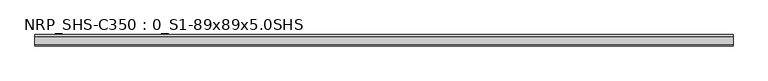
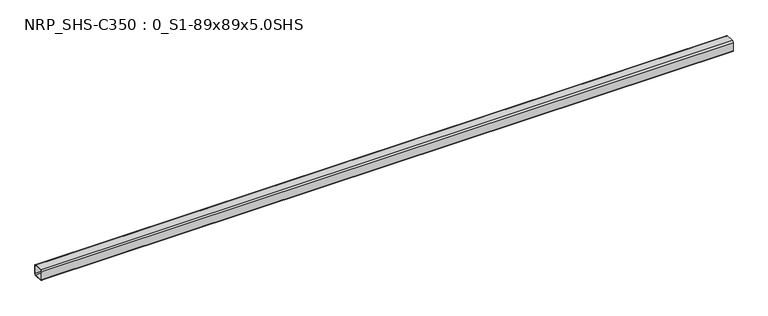
"""IFC4 building model written with IfcOpenShell, lengths in millimetres: beam geometry, NRP_SHS-C350 : 0_S1-89x89x5.0SHS."""

import ifcopenshell
import ifcopenshell.guid

model = None  # the IFC model being written
_history = None  # IfcOwnerHistory: only IFC2X3 demands one
_inside = {}  # id of a spatial element -> (the spatial element, [elements in it])
_under = {}  # id of a project, library or spatial element -> (it, [spatial elements below it])
_declared = {}  # id of a project -> (the project, [libraries it declares])
_typed = {}  # id of a type object -> (the type object, [elements of that type])
_made_of = {}  # id of a material, layer set ... -> (it, [elements and type objects made of it])


def new_model(schema):
    """Start an empty IFC model of exactly this schema.

    Asked for "IFC4X3", IfcOpenShell would pick the latest addendum, in which some entities
    have other attributes; the version numbers below select the first issue.
    IFC2X3 requires an IfcOwnerHistory on every rooted entity: one is made here for all.
    """
    global model, _history
    if schema == "IFC4X3":
        model = ifcopenshell.file(schema_version=(4, 3, 0, 0))
    else:
        model = ifcopenshell.file(schema=schema)
    _inside.clear()
    _under.clear()
    _declared.clear()
    _typed.clear()
    _made_of.clear()
    _history = None
    if model.schema == "IFC2X3":
        org = make("IfcOrganization", Name="unknown")
        user = make(
            "IfcPersonAndOrganization",
            ThePerson=make("IfcPerson", FamilyName="unknown"),
            TheOrganization=org,
        )
        app = make(
            "IfcApplication",
            ApplicationDeveloper=org,
            Version="unknown",
            ApplicationFullName="unknown",
            ApplicationIdentifier="unknown",
        )
        _history = make(
            "IfcOwnerHistory",
            OwningUser=user,
            OwningApplication=app,
            ChangeAction="ADDED",
            CreationDate=0,
        )
    return model


def make(cls, **values):
    """One entity of the class cls with the attributes given. An attribute that is None is left unset."""
    return model.create_entity(
        cls, **{name: value for name, value in values.items() if value is not None}
    )


def rooted(cls, **values):
    """An entity with a GlobalId (a new one), such as an element, a storey or a relation."""
    return make(cls, GlobalId=ifcopenshell.guid.new(), OwnerHistory=_history, **values)


def si_unit(unit_type, name, prefix=None):
    """IfcSIUnit, for example si_unit("LENGTHUNIT", "METRE", prefix="MILLI")."""
    return make("IfcSIUnit", UnitType=unit_type, Prefix=prefix, Name=name)


def assignment(units):
    """IfcUnitAssignment: the units of a project."""
    return None if units is None else make("IfcUnitAssignment", Units=units)


def point(xyz):
    """IfcCartesianPoint."""
    return None if xyz is None else make("IfcCartesianPoint", Coordinates=xyz)


def direction(xyz):
    """IfcDirection."""
    return None if xyz is None else make("IfcDirection", DirectionRatios=xyz)


def frame(location, z_axis=None, x_axis=None):
    """IfcAxis2Placement3D, a coordinate frame: its origin and axes. An axis left out is left unset."""
    return make(
        "IfcAxis2Placement3D",
        Location=point(location),
        Axis=direction(z_axis),
        RefDirection=direction(x_axis),
    )


def frame_2d(location, x_axis=None):
    """IfcAxis2Placement2D, a coordinate frame in the plane: its origin and x axis."""
    return make(
        "IfcAxis2Placement2D", Location=point(location), RefDirection=direction(x_axis)
    )


def origin():
    """The frame at (0, 0, 0) with its axes left unset."""
    return frame((0.0, 0.0, 0.0))


def place(relative_to, where):
    """IfcLocalPlacement: puts the frame where relative to a parent placement (None: the world)."""
    return make(
        "IfcLocalPlacement", PlacementRelTo=relative_to, RelativePlacement=where
    )


def context(
    kind, dimensions, precision=None, world=None, true_north=None, identifier=None
):
    """IfcGeometricRepresentationContext, for example the 3D "Model" context."""
    return make(
        "IfcGeometricRepresentationContext",
        ContextIdentifier=identifier,
        ContextType=kind,
        CoordinateSpaceDimension=dimensions,
        Precision=precision,
        WorldCoordinateSystem=world,
        TrueNorth=true_north,
    )


def project(units=None, contexts=None):
    """IfcProject with its units and contexts."""
    return rooted(
        "IfcProject",
        Name="project",
        RepresentationContexts=contexts,
        UnitsInContext=assignment(units),
    )


def spatial(cls, under=None, at=None, **own):
    """A site, building, storey or space (cls), placed at a placement, below another one or the project."""
    s = rooted(cls, ObjectPlacement=at, **own)
    if under is not None:
        _under.setdefault(under.id(), (under, []))[1].append(s)
    return s


def polyline(points):
    """IfcPolyline through the points."""
    return make("IfcPolyline", Points=[point(p) for p in points])


def circle_curve(where, radius):
    """IfcCircle in the frame where."""
    return make("IfcCircle", Position=where, Radius=radius)


def trimmed(basis, trim1, trim2, sense, master):
    """IfcTrimmedCurve: the piece of a basis curve between two trims."""
    return make(
        "IfcTrimmedCurve",
        BasisCurve=basis,
        Trim1=trim1,
        Trim2=trim2,
        SenseAgreement=sense,
        MasterRepresentation=master,
    )


def segment(curve, same_sense, transition):
    """IfcCompositeCurveSegment."""
    return make(
        "IfcCompositeCurveSegment",
        Transition=transition,
        SameSense=same_sense,
        ParentCurve=curve,
    )


def composite_curve(segments, self_intersect=None):
    """IfcCompositeCurve: segments joined end to end."""
    return make("IfcCompositeCurve", Segments=segments, SelfIntersect=self_intersect)


def outline(outer, holes=None, kind="AREA"):
    """IfcArbitraryClosedProfileDef: a profile drawn as a closed curve; with holes, ...WithVoids."""
    if holes is None:
        return make("IfcArbitraryClosedProfileDef", ProfileType=kind, OuterCurve=outer)
    return make(
        "IfcArbitraryProfileDefWithVoids",
        ProfileType=kind,
        OuterCurve=outer,
        InnerCurves=holes,
    )


def extrude(swept, where, along, depth):
    """IfcExtrudedAreaSolid: the profile swept, set in the frame where, extruded along a direction by depth."""
    return make(
        "IfcExtrudedAreaSolid",
        SweptArea=swept,
        Position=where,
        ExtrudedDirection=direction(along),
        Depth=depth,
    )


def shape(context_of_items, identifier, shape_type, items):
    """IfcShapeRepresentation: the items that make up one representation, for example the "Body"."""
    return make(
        "IfcShapeRepresentation",
        ContextOfItems=context_of_items,
        RepresentationIdentifier=identifier,
        RepresentationType=shape_type,
        Items=items,
    )


def source(mapping_origin, context_of_items, identifier, shape_type, items):
    """IfcRepresentationMap: a shape defined once, which mapped items show again and again."""
    return make(
        "IfcRepresentationMap",
        MappingOrigin=mapping_origin,
        MappedRepresentation=shape(context_of_items, identifier, shape_type, items),
    )


def transform(
    local_origin,
    x_axis=None,
    y_axis=None,
    z_axis=None,
    scale=None,
    scale2=None,
    scale3=None,
    uniform=True,
):
    """IfcCartesianTransformationOperator3D, or its non-uniform kind. x_axis, y_axis, z_axis: its Axis1, 2, 3."""
    if uniform:
        return make(
            "IfcCartesianTransformationOperator3D",
            Axis1=direction(x_axis),
            Axis2=direction(y_axis),
            LocalOrigin=point(local_origin),
            Scale=scale,
            Axis3=direction(z_axis),
        )
    return make(
        "IfcCartesianTransformationOperator3DnonUniform",
        Axis1=direction(x_axis),
        Axis2=direction(y_axis),
        LocalOrigin=point(local_origin),
        Scale=scale,
        Axis3=direction(z_axis),
        Scale2=scale2,
        Scale3=scale3,
    )


def mapped(mapping_source, mapping_target):
    """IfcMappedItem: shows the shape of a source again, moved by a transform."""
    return make(
        "IfcMappedItem", MappingSource=mapping_source, MappingTarget=mapping_target
    )


def made_of(thing, what):
    """Note that an element or type object is made of a material, layer set ...; save() writes the relation."""
    if what is not None:
        _made_of.setdefault(what.id(), (what, []))[1].append(thing)
    return thing


def element(
    cls,
    number,
    at=None,
    inside=None,
    cuts=None,
    type_object=None,
    material=None,
    context=None,
    identifier="Body",
    shape_type=None,
    held_by="IfcProductDefinitionShape",
    body=None,
    shapes=None,
    **own,
):
    """One element of the class cls, such as IfcWall. Its Tag is "e" and its number.

    at: its placement. inside: the storey or other place that contains it. cuts: it is an
    opening in that element (IfcRelVoidsElement). A single representation is given by context,
    identifier, shape_type and body (its items); several are given by shapes. held_by: the class
    of the entity that holds the representations. save() writes the other relations.
    """
    e = rooted(cls, Tag="e%d" % number, ObjectPlacement=at, **own)
    if body is not None:
        shapes = [shape(context, identifier, shape_type, body)]
    if shapes is not None:
        e.Representation = make(held_by, Representations=shapes)
    if inside is not None:
        _inside.setdefault(inside.id(), (inside, []))[1].append(e)
    if cuts is not None:
        rooted(
            "IfcRelVoidsElement", RelatingBuildingElement=cuts, RelatedOpeningElement=e
        )
    if type_object is not None:
        _typed.setdefault(type_object.id(), (type_object, []))[1].append(e)
    return made_of(e, material)


def aggregate(whole, parts):
    """IfcRelAggregates: a whole, such as a stair, and the parts it consists of."""
    return rooted("IfcRelAggregates", RelatingObject=whole, RelatedObjects=parts)


def save(model, path):
    """Write the relations noted so far, then the file.

    IfcRelAggregates (storeys below a building ...), IfcRelContainedInSpatialStructure (elements
    in a storey), IfcRelDefinesByType, IfcRelAssociatesMaterial and IfcRelDeclares: one each for
    every whole, place, type object, material and project.
    """
    for whole, parts in _under.values():
        aggregate(whole, parts)
    for where, things in _inside.values():
        rooted(
            "IfcRelContainedInSpatialStructure",
            RelatedElements=things,
            RelatingStructure=where,
        )
    for kind, things in _typed.values():
        rooted("IfcRelDefinesByType", RelatedObjects=things, RelatingType=kind)
    for what, things in _made_of.values():
        rooted("IfcRelAssociatesMaterial", RelatedObjects=things, RelatingMaterial=what)
    for by, libraries in _declared.values():
        rooted("IfcRelDeclares", RelatingContext=by, RelatedDefinitions=libraries)
    model.write(path)


def nrp_shs_c350_0_s1_89x89x5_0shs_04892006(model_context):
    return source(origin(), model_context, "Body", "SweptSolid", [
        extrude(outline(composite_curve([segment(polyline([(44.5, 32.0), (44.5, -32.0)]), True, "CONTINUOUS"), segment(trimmed(circle_curve(frame_2d((32.0, -32.0)), 12.5), [point((44.5, -32.0))], [point((32.0, -44.5))], False, "CARTESIAN"), True, "CONTINUOUS"), segment(polyline([(32.0, -44.5), (-32.0, -44.5)]), True, "CONTINUOUS"), segment(trimmed(circle_curve(frame_2d((-32.0, -32.0)), 12.5), [point((-32.0, -44.5))], [point((-44.5, -32.0))], False, "CARTESIAN"), True, "CONTINUOUS"), segment(polyline([(-44.5, -32.0), (-44.5, 32.0)]), True, "CONTINUOUS"), segment(trimmed(circle_curve(frame_2d((-32.0, 32.0)), 12.5), [point((-44.5, 32.0))], [point((-32.0, 44.5))], False, "CARTESIAN"), True, "CONTINUOUS"), segment(polyline([(-32.0, 44.5), (32.0, 44.5)]), True, "CONTINUOUS"), segment(trimmed(circle_curve(frame_2d((32.0, 32.0)), 12.5), [point((32.0, 44.5))], [point((44.5, 32.0))], False, "CARTESIAN"), True, "CONTINUOUS")], self_intersect=False), holes=[composite_curve([segment(trimmed(circle_curve(frame_2d((-32.0, 32.0)), 7.5), [point((-32.0, 39.5))], [point((-39.5, 32.0))], True, "CARTESIAN"), True, "CONTINUOUS"), segment(polyline([(-39.5, 32.0), (-39.5, -32.0)]), True, "CONTINUOUS"), segment(trimmed(circle_curve(frame_2d((-32.0, -32.0)), 7.5), [point((-39.5, -32.0))], [point((-32.0, -39.5))], True, "CARTESIAN"), True, "CONTINUOUS"), segment(polyline([(-32.0, -39.5), (32.0, -39.5)]), True, "CONTINUOUS"), segment(trimmed(circle_curve(frame_2d((32.0, -32.0)), 7.5), [point((32.0, -39.5))], [point((39.5, -32.0))], True, "CARTESIAN"), True, "CONTINUOUS"), segment(polyline([(39.5, -32.0), (39.5, 32.0)]), True, "CONTINUOUS"), segment(trimmed(circle_curve(frame_2d((32.0, 32.0)), 7.5), [point((39.5, 32.0))], [point((32.0, 39.5))], True, "CARTESIAN"), True, "CONTINUOUS"), segment(polyline([(32.0, 39.5), (-32.0, 39.5)]), True, "CONTINUOUS")], self_intersect=False)]), frame((-2735.5, 0.0, 0.0), z_axis=(1.0, 0.0, 0.0), x_axis=(0.0, 1.0, 0.0)), (0.0, 0.0, 1.0), 5463.0),
    ])


if __name__ == "__main__":
    model = new_model("IFC4")
    model_context = context("Model", 3, world=origin())
    ifc_project = project(units=[si_unit("LENGTHUNIT", "METRE", prefix="MILLI")], contexts=[model_context])
    site = spatial("IfcSite", under=ifc_project)
    building = spatial("IfcBuilding", under=site)
    placement = place(None, origin())
    nrp_shs_c350_0_s1_89x89x5_0shs_shape = nrp_shs_c350_0_s1_89x89x5_0shs_04892006(model_context)
    element("IfcBeam", 1, ObjectType="NRP_SHS-C350 : 0_S1-89x89x5.0SHS", at=placement, inside=building, context=model_context, shape_type="MappedRepresentation", body=[
        mapped(nrp_shs_c350_0_s1_89x89x5_0shs_shape, transform((0.0, 0.0, 0.0), x_axis=(1.0, 0.0, 0.0), y_axis=(0.0, 1.0, 0.0), z_axis=(0.0, 0.0, 1.0))),
    ])
    save(model, "model.ifc")
